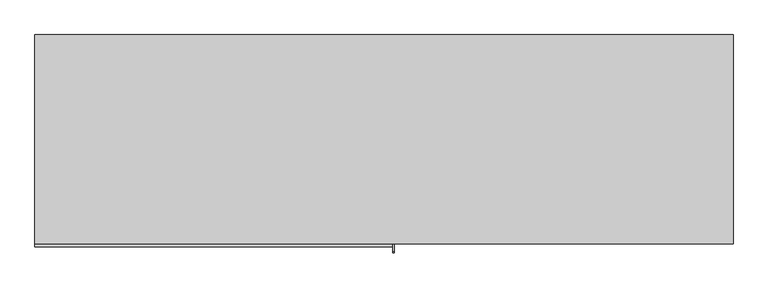
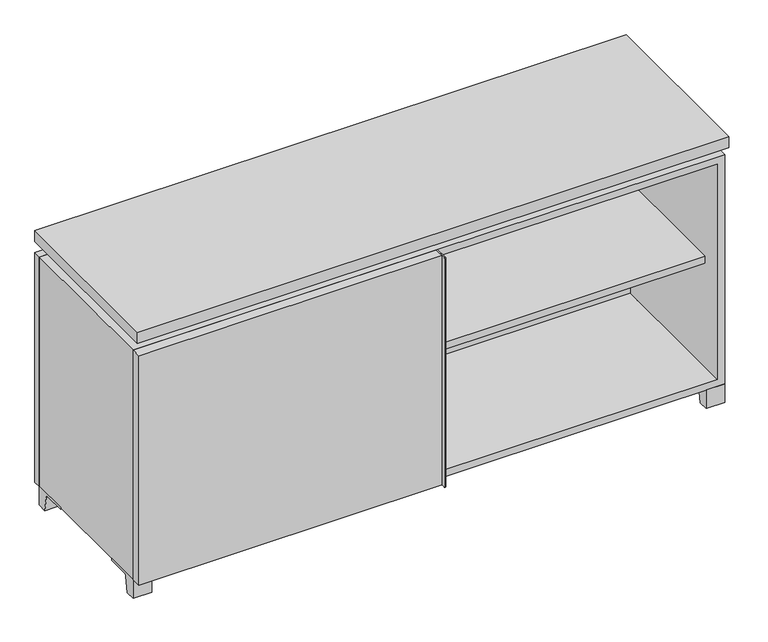
"""IFC4 building model written with IfcOpenShell, lengths in millimetres: furniture geometry."""

from ifc_helpers import new_model, si_unit, point, frame, frame_2d, origin, place, context, project, spatial, polyline, circle_curve, trimmed, segment, composite_curve, outline, extrude, faceted_brep, source, transform, mapped, element, save


def furniture_b76a94b4(model_context):
    return source(origin(), model_context, "Body", "SolidModel", [
        extrude(outline(polyline([(9.5319453, 241.3), (742.9569453, 241.3), (742.9569453, -92.075), (9.5319453, -92.075), (9.5319453, 241.3)])), frame((0.0, 0.0, 354.0125), z_axis=(0.0, 0.0, 1.0), x_axis=(1.0, 0.0, 0.0)), (0.0, 0.0, 1.0), 19.05),
        extrude(outline(polyline([(-9.5041641, 241.3), (-9.5041641, -92.075), (-742.9291641, -92.075), (-742.9291641, 241.3), (-9.5041641, 241.3)])), frame((0.0, 0.0, 354.0125), z_axis=(0.0, 0.0, 1.0), x_axis=(1.0, 0.0, 0.0)), (0.0, 0.0, 1.0), 19.05),
        extrude(outline(composite_curve([segment(polyline([(47.6249864, 0.0), (22.225, 0.0), (22.225, 50.8), (117.475, 50.8), (117.475, 46.0213321), (60.6744655, 46.0213321)]), True, "CONTINUOUS"), segment(trimmed(circle_curve(frame_2d((60.6744655, 39.6713321)), 6.35), [point((60.6744655, 46.0213321))], [point((54.4108641, 40.7152656))], True, "CARTESIAN"), True, "CONTINUOUS"), segment(polyline([(54.4108641, 40.7152656), (47.6249864, 0.0)]), True, "CONTINUOUS")], self_intersect=False)), frame((-23.7986094, 0.0, 0.0), z_axis=(1.0, 0.0, 0.0), x_axis=(0.0, 1.0, 0.0)), (0.0, 0.0, 1.0), 47.625),
        extrude(outline(polyline([(762.0138906, 292.1), (762.0138906, -165.1), (-761.9861094, -165.1), (-761.9861094, 292.1), (762.0138906, 292.1)])), frame((0.0, 0.0, 706.4375), z_axis=(0.0, 0.0, 1.0), x_axis=(1.0, 0.0, 0.0)), (0.0, 0.0, 1.0), 30.1625),
        extrude(outline(composite_curve([segment(polyline([(-146.05, 676.275), (-146.05, 50.8), (-180.975, 50.8)]), True, "CONTINUOUS"), segment(trimmed(circle_curve(frame_2d((-180.975, 53.975)), 3.175), [point((-180.975, 50.8))], [point((-184.15, 53.975))], False, "CARTESIAN"), True, "CONTINUOUS"), segment(polyline([(-184.15, 53.975), (-184.15, 673.1)]), True, "CONTINUOUS"), segment(trimmed(circle_curve(frame_2d((-180.975, 673.1)), 3.175), [point((-184.15, 673.1))], [point((-180.975, 676.275))], False, "CARTESIAN"), True, "CONTINUOUS"), segment(polyline([(-180.975, 676.275), (-146.05, 676.275)]), True, "CONTINUOUS")], self_intersect=False)), frame((19.0638906, 0.0, 0.0), z_axis=(1.0, 0.0, 0.0), x_axis=(0.0, 1.0, 0.0)), (0.0, 0.0, 1.0), 3.175),
        extrude(outline(polyline([(-761.9861094, -146.05), (19.0638906, -146.05), (19.0638906, -171.45), (-761.9861094, -171.45), (-761.9861094, -146.05)])), frame((0.0, 0.0, 50.8), z_axis=(0.0, 0.0, 1.0), x_axis=(1.0, 0.0, 0.0)), (0.0, 0.0, 1.0), 625.475),
        extrude(outline(composite_curve([segment(polyline([(-120.6500136, 0.0), (-146.05, 0.0), (-146.05, 50.8), (-50.8, 50.8), (-50.8, 46.0213321), (-107.6005345, 46.0213321)]), True, "CONTINUOUS"), segment(trimmed(circle_curve(frame_2d((-107.6005345, 39.6713321)), 6.35), [point((-107.6005345, 46.0213321))], [point((-113.8641359, 40.7152656))], True, "CARTESIAN"), True, "CONTINUOUS"), segment(polyline([(-113.8641359, 40.7152656), (-120.6500136, 0.0)]), True, "CONTINUOUS")], self_intersect=False)), frame((714.3888906, 0.0, 0.0), z_axis=(1.0, 0.0, 0.0), x_axis=(0.0, 1.0, 0.0)), (0.0, 0.0, 1.0), 47.625),
        extrude(outline(composite_curve([segment(polyline([(247.6500136, 0.0), (240.8641359, 40.7152656)]), True, "CONTINUOUS"), segment(trimmed(circle_curve(frame_2d((234.6005345, 39.6713321)), 6.35), [point((240.8641359, 40.7152656))], [point((234.6005345, 46.0213321))], True, "CARTESIAN"), True, "CONTINUOUS"), segment(polyline([(234.6005345, 46.0213321), (177.8, 46.0213321), (177.8, 50.8), (273.05, 50.8), (273.05, 0.0), (247.6500136, 0.0)]), True, "CONTINUOUS")], self_intersect=False)), frame((714.3888906, 0.0, 0.0), z_axis=(1.0, 0.0, 0.0), x_axis=(0.0, 1.0, 0.0)), (0.0, 0.0, 1.0), 47.625),
        extrude(outline(composite_curve([segment(polyline([(-120.6500136, 0.0), (-146.05, 0.0), (-146.05, 50.8), (-50.8, 50.8), (-50.8, 46.0213321), (-107.6005345, 46.0213321)]), True, "CONTINUOUS"), segment(trimmed(circle_curve(frame_2d((-107.6005345, 39.6713321)), 6.35), [point((-107.6005345, 46.0213321))], [point((-113.8641359, 40.7152656))], True, "CARTESIAN"), True, "CONTINUOUS"), segment(polyline([(-113.8641359, 40.7152656), (-120.6500136, 0.0)]), True, "CONTINUOUS")], self_intersect=False)), frame((-761.9861094, 0.0, 0.0), z_axis=(1.0, 0.0, 0.0), x_axis=(0.0, 1.0, 0.0)), (0.0, 0.0, 1.0), 47.625),
        extrude(outline(composite_curve([segment(polyline([(247.6500136, 0.0), (240.8641359, 40.7152656)]), True, "CONTINUOUS"), segment(trimmed(circle_curve(frame_2d((234.6005345, 39.6713321)), 6.35), [point((240.8641359, 40.7152656))], [point((234.6005345, 46.0213321))], True, "CARTESIAN"), True, "CONTINUOUS"), segment(polyline([(234.6005345, 46.0213321), (177.8, 46.0213321), (177.8, 50.8), (273.05, 50.8), (273.05, 0.0), (247.6500136, 0.0)]), True, "CONTINUOUS")], self_intersect=False)), frame((-761.9861094, 0.0, 0.0), z_axis=(1.0, 0.0, 0.0), x_axis=(0.0, 1.0, 0.0)), (0.0, 0.0, 1.0), 47.625),
        faceted_brep([(7.9513906, -120.65, 706.4375), (7.9513906, -120.65, 676.275), (7.9513906, 53.975, 676.275), (7.9513906, 53.975, 706.4375), (7.9513906, 247.65, 676.275), (7.9513906, 247.65, 706.4375), (7.9513906, 73.025, 706.4375), (7.9513906, 73.025, 676.275), (-7.9236094, 247.65, 706.4375), (-7.9236094, 247.65, 676.275), (-7.9236094, 73.025, 676.275), (-7.9236094, 73.025, 706.4375), (-7.9236094, -120.65, 676.275), (-7.9236094, -120.65, 706.4375), (-7.9236094, 53.975, 706.4375), (-7.9236094, 53.975, 676.275), (-720.6833281, 73.025, 706.4375), (-720.7041641, 247.65, 706.4375), (-736.5791641, 247.65, 706.4375), (-736.5791641, -120.65, 706.4375), (-720.7041641, -120.65, 706.4375), (-720.7041641, 53.975, 706.4375), (720.7111094, 53.975, 706.4375), (720.7111094, -120.65, 706.4375), (736.5861094, -120.65, 706.4375), (736.5861094, 247.65, 706.4375), (720.7111094, 247.65, 706.4375), (720.7111094, 73.025, 706.4375), (-720.6833281, 53.975, 676.275), (-720.7041641, -120.65, 676.275), (-736.5791641, -120.65, 676.275), (-736.5791641, 247.65, 676.275), (-720.7041641, 247.65, 676.275), (-720.7041641, 73.025, 676.275), (720.7111094, 73.025, 676.275), (720.7111094, 247.65, 676.275), (736.5861094, 247.65, 676.275), (736.5861094, -120.65, 676.275), (720.7111094, -120.65, 676.275), (720.7111094, 53.975, 676.275)], [[[0, 1, 2, 3]], [[4, 5, 6, 7]], [[8, 9, 10, 11]], [[12, 13, 14, 15]], [[5, 8, 11, 16, 17, 18, 19, 20, 21, 14, 13, 0, 3, 22, 23, 24, 25, 26, 27, 6]], [[1, 12, 15, 28, 29, 30, 31, 32, 33, 10, 9, 4, 7, 34, 35, 36, 37, 38, 39, 2]], [[5, 4, 9, 8]], [[1, 0, 13, 12]], [[6, 27, 34, 7]], [[22, 3, 2, 39]], [[20, 29, 28, 21]], [[32, 17, 16, 33]], [[18, 31, 30, 19]], [[29, 20, 19, 30]], [[17, 32, 31, 18]], [[26, 35, 34, 27]], [[38, 23, 22, 39]], [[25, 24, 37, 36]], [[23, 38, 37, 24]], [[35, 26, 25, 36]], [[16, 11, 10, 33]], [[14, 21, 28, 15]]]),
        extrude(outline(polyline([(9.5388906, 241.3), (9.5388906, -95.25), (-9.5111094, -95.25), (-9.5111094, 241.3), (9.5388906, 241.3)])), frame((0.0, 0.0, 69.85), z_axis=(0.0, 0.0, 1.0), x_axis=(1.0, 0.0, 0.0)), (0.0, 0.0, 1.0), 587.375),
        extrude(outline(polyline([(15.8888906, -88.9), (15.8888906, -146.05), (-9.5111094, -146.05), (-9.5111094, -120.65), (3.1888906, -120.65), (3.1888906, -88.9), (15.8888906, -88.9)])), frame((0.0, 0.0, 69.85), z_axis=(0.0, 0.0, 1.0), x_axis=(1.0, 0.0, 0.0)), (0.0, 0.0, 1.0), 587.375),
        extrude(outline(polyline([(762.0138906, 273.05), (-761.9861094, 273.05), (-761.9861094, 292.1), (762.0138906, 292.1), (762.0138906, 273.05)])), frame((0.0, 0.0, 50.8), z_axis=(0.0, 0.0, 1.0), x_axis=(1.0, 0.0, 0.0)), (0.0, 0.0, 1.0), 625.475),
        extrude(outline(polyline([(50.8, -761.9861094), (50.8, 762.0), (676.275, 762.0), (676.275, -761.9861094), (50.8, -761.9861094)]), holes=[polyline([(69.85, -742.9361094), (657.225, -742.9361094), (657.225, 742.9361094), (69.85, 742.9361094), (69.85, -742.9361094)])]), frame((0.0, -146.05, 0.0), z_axis=(0.0, 1.0, 0.0), x_axis=(0.0, 0.0, 1.0)), (0.0, 0.0, 1.0), 419.1),
        extrude(outline(polyline([(-742.9291641, 241.3), (-742.9291641, 247.65), (742.9569453, 247.65), (742.9569453, 241.3), (-742.9291641, 241.3)])), frame((0.0, 0.0, 69.85), z_axis=(0.0, 0.0, 1.0), x_axis=(1.0, 0.0, 0.0)), (0.0, 0.0, 1.0), 587.375),
    ])


if __name__ == "__main__":
    model = new_model("IFC4")
    model_context = context("Model", 3, world=origin())
    ifc_project = project(units=[si_unit("LENGTHUNIT", "METRE", prefix="MILLI")], contexts=[model_context])
    site = spatial("IfcSite", under=ifc_project)
    building = spatial("IfcBuilding", under=site)
    placement = place(None, origin())
    furniture_shape = furniture_b76a94b4(model_context)
    element("IfcFurniture", 1, at=placement, inside=building, context=model_context, shape_type="MappedRepresentation", body=[
        mapped(furniture_shape, transform((0.0, 0.0, 0.0), x_axis=(1.0, 0.0, 0.0), y_axis=(0.0, 1.0, 0.0), z_axis=(0.0, 0.0, 1.0))),
    ])
    save(model, "model.ifc")
